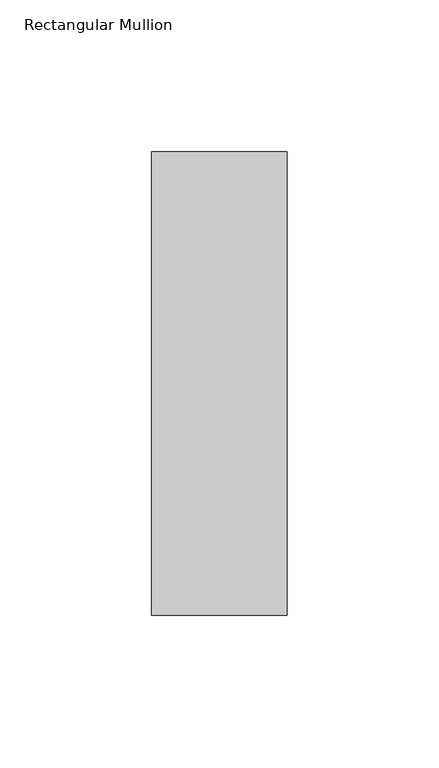
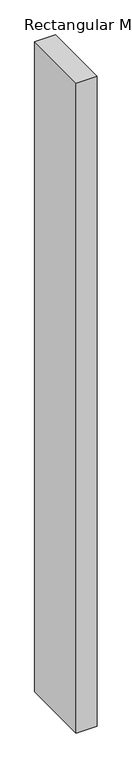
"""IFC4 building model written with IfcOpenShell, lengths in millimetres: member geometry, Rectangular Mullion."""

import ifcopenshell
import ifcopenshell.guid

model = None  # the IFC model being written
_history = None  # IfcOwnerHistory: only IFC2X3 demands one
_inside = {}  # id of a spatial element -> (the spatial element, [elements in it])
_under = {}  # id of a project, library or spatial element -> (it, [spatial elements below it])
_declared = {}  # id of a project -> (the project, [libraries it declares])
_typed = {}  # id of a type object -> (the type object, [elements of that type])
_made_of = {}  # id of a material, layer set ... -> (it, [elements and type objects made of it])


def new_model(schema):
    """Start an empty IFC model of exactly this schema.

    Asked for "IFC4X3", IfcOpenShell would pick the latest addendum, in which some entities
    have other attributes; the version numbers below select the first issue.
    IFC2X3 requires an IfcOwnerHistory on every rooted entity: one is made here for all.
    """
    global model, _history
    if schema == "IFC4X3":
        model = ifcopenshell.file(schema_version=(4, 3, 0, 0))
    else:
        model = ifcopenshell.file(schema=schema)
    _inside.clear()
    _under.clear()
    _declared.clear()
    _typed.clear()
    _made_of.clear()
    _history = None
    if model.schema == "IFC2X3":
        org = make("IfcOrganization", Name="unknown")
        user = make(
            "IfcPersonAndOrganization",
            ThePerson=make("IfcPerson", FamilyName="unknown"),
            TheOrganization=org,
        )
        app = make(
            "IfcApplication",
            ApplicationDeveloper=org,
            Version="unknown",
            ApplicationFullName="unknown",
            ApplicationIdentifier="unknown",
        )
        _history = make(
            "IfcOwnerHistory",
            OwningUser=user,
            OwningApplication=app,
            ChangeAction="ADDED",
            CreationDate=0,
        )
    return model


def make(cls, **values):
    """One entity of the class cls with the attributes given. An attribute that is None is left unset."""
    return model.create_entity(
        cls, **{name: value for name, value in values.items() if value is not None}
    )


def rooted(cls, **values):
    """An entity with a GlobalId (a new one), such as an element, a storey or a relation."""
    return make(cls, GlobalId=ifcopenshell.guid.new(), OwnerHistory=_history, **values)


def si_unit(unit_type, name, prefix=None):
    """IfcSIUnit, for example si_unit("LENGTHUNIT", "METRE", prefix="MILLI")."""
    return make("IfcSIUnit", UnitType=unit_type, Prefix=prefix, Name=name)


def assignment(units):
    """IfcUnitAssignment: the units of a project."""
    return None if units is None else make("IfcUnitAssignment", Units=units)


def point(xyz):
    """IfcCartesianPoint."""
    return None if xyz is None else make("IfcCartesianPoint", Coordinates=xyz)


def direction(xyz):
    """IfcDirection."""
    return None if xyz is None else make("IfcDirection", DirectionRatios=xyz)


def frame(location, z_axis=None, x_axis=None):
    """IfcAxis2Placement3D, a coordinate frame: its origin and axes. An axis left out is left unset."""
    return make(
        "IfcAxis2Placement3D",
        Location=point(location),
        Axis=direction(z_axis),
        RefDirection=direction(x_axis),
    )


def origin():
    """The frame at (0, 0, 0) with its axes left unset."""
    return frame((0.0, 0.0, 0.0))


def place(relative_to, where):
    """IfcLocalPlacement: puts the frame where relative to a parent placement (None: the world)."""
    return make(
        "IfcLocalPlacement", PlacementRelTo=relative_to, RelativePlacement=where
    )


def context(
    kind, dimensions, precision=None, world=None, true_north=None, identifier=None
):
    """IfcGeometricRepresentationContext, for example the 3D "Model" context."""
    return make(
        "IfcGeometricRepresentationContext",
        ContextIdentifier=identifier,
        ContextType=kind,
        CoordinateSpaceDimension=dimensions,
        Precision=precision,
        WorldCoordinateSystem=world,
        TrueNorth=true_north,
    )


def project(units=None, contexts=None):
    """IfcProject with its units and contexts."""
    return rooted(
        "IfcProject",
        Name="project",
        RepresentationContexts=contexts,
        UnitsInContext=assignment(units),
    )


def spatial(cls, under=None, at=None, **own):
    """A site, building, storey or space (cls), placed at a placement, below another one or the project."""
    s = rooted(cls, ObjectPlacement=at, **own)
    if under is not None:
        _under.setdefault(under.id(), (under, []))[1].append(s)
    return s


def polyline(points):
    """IfcPolyline through the points."""
    return make("IfcPolyline", Points=[point(p) for p in points])


def outline(outer, holes=None, kind="AREA"):
    """IfcArbitraryClosedProfileDef: a profile drawn as a closed curve; with holes, ...WithVoids."""
    if holes is None:
        return make("IfcArbitraryClosedProfileDef", ProfileType=kind, OuterCurve=outer)
    return make(
        "IfcArbitraryProfileDefWithVoids",
        ProfileType=kind,
        OuterCurve=outer,
        InnerCurves=holes,
    )


def extrude(swept, where, along, depth):
    """IfcExtrudedAreaSolid: the profile swept, set in the frame where, extruded along a direction by depth."""
    return make(
        "IfcExtrudedAreaSolid",
        SweptArea=swept,
        Position=where,
        ExtrudedDirection=direction(along),
        Depth=depth,
    )


def shape(context_of_items, identifier, shape_type, items):
    """IfcShapeRepresentation: the items that make up one representation, for example the "Body"."""
    return make(
        "IfcShapeRepresentation",
        ContextOfItems=context_of_items,
        RepresentationIdentifier=identifier,
        RepresentationType=shape_type,
        Items=items,
    )


def source(mapping_origin, context_of_items, identifier, shape_type, items):
    """IfcRepresentationMap: a shape defined once, which mapped items show again and again."""
    return make(
        "IfcRepresentationMap",
        MappingOrigin=mapping_origin,
        MappedRepresentation=shape(context_of_items, identifier, shape_type, items),
    )


def transform(
    local_origin,
    x_axis=None,
    y_axis=None,
    z_axis=None,
    scale=None,
    scale2=None,
    scale3=None,
    uniform=True,
):
    """IfcCartesianTransformationOperator3D, or its non-uniform kind. x_axis, y_axis, z_axis: its Axis1, 2, 3."""
    if uniform:
        return make(
            "IfcCartesianTransformationOperator3D",
            Axis1=direction(x_axis),
            Axis2=direction(y_axis),
            LocalOrigin=point(local_origin),
            Scale=scale,
            Axis3=direction(z_axis),
        )
    return make(
        "IfcCartesianTransformationOperator3DnonUniform",
        Axis1=direction(x_axis),
        Axis2=direction(y_axis),
        LocalOrigin=point(local_origin),
        Scale=scale,
        Axis3=direction(z_axis),
        Scale2=scale2,
        Scale3=scale3,
    )


def mapped(mapping_source, mapping_target):
    """IfcMappedItem: shows the shape of a source again, moved by a transform."""
    return make(
        "IfcMappedItem", MappingSource=mapping_source, MappingTarget=mapping_target
    )


def made_of(thing, what):
    """Note that an element or type object is made of a material, layer set ...; save() writes the relation."""
    if what is not None:
        _made_of.setdefault(what.id(), (what, []))[1].append(thing)
    return thing


def element(
    cls,
    number,
    at=None,
    inside=None,
    cuts=None,
    type_object=None,
    material=None,
    context=None,
    identifier="Body",
    shape_type=None,
    held_by="IfcProductDefinitionShape",
    body=None,
    shapes=None,
    **own,
):
    """One element of the class cls, such as IfcWall. Its Tag is "e" and its number.

    at: its placement. inside: the storey or other place that contains it. cuts: it is an
    opening in that element (IfcRelVoidsElement). A single representation is given by context,
    identifier, shape_type and body (its items); several are given by shapes. held_by: the class
    of the entity that holds the representations. save() writes the other relations.
    """
    e = rooted(cls, Tag="e%d" % number, ObjectPlacement=at, **own)
    if body is not None:
        shapes = [shape(context, identifier, shape_type, body)]
    if shapes is not None:
        e.Representation = make(held_by, Representations=shapes)
    if inside is not None:
        _inside.setdefault(inside.id(), (inside, []))[1].append(e)
    if cuts is not None:
        rooted(
            "IfcRelVoidsElement", RelatingBuildingElement=cuts, RelatedOpeningElement=e
        )
    if type_object is not None:
        _typed.setdefault(type_object.id(), (type_object, []))[1].append(e)
    return made_of(e, material)


def aggregate(whole, parts):
    """IfcRelAggregates: a whole, such as a stair, and the parts it consists of."""
    return rooted("IfcRelAggregates", RelatingObject=whole, RelatedObjects=parts)


def save(model, path):
    """Write the relations noted so far, then the file.

    IfcRelAggregates (storeys below a building ...), IfcRelContainedInSpatialStructure (elements
    in a storey), IfcRelDefinesByType, IfcRelAssociatesMaterial and IfcRelDeclares: one each for
    every whole, place, type object, material and project.
    """
    for whole, parts in _under.values():
        aggregate(whole, parts)
    for where, things in _inside.values():
        rooted(
            "IfcRelContainedInSpatialStructure",
            RelatedElements=things,
            RelatingStructure=where,
        )
    for kind, things in _typed.values():
        rooted("IfcRelDefinesByType", RelatedObjects=things, RelatingType=kind)
    for what, things in _made_of.values():
        rooted("IfcRelAssociatesMaterial", RelatedObjects=things, RelatingMaterial=what)
    for by, libraries in _declared.values():
        rooted("IfcRelDeclares", RelatingContext=by, RelatedDefinitions=libraries)
    model.write(path)


def rectangular_mullion_3a52c964(model_context):
    return source(origin(), model_context, "Body", "SweptSolid", [
        extrude(outline(polyline([(0.0, 76.1906616), (0.0, -76.1906616), (-44.45, -76.1906616), (-44.45, 76.1906616), (0.0, 76.1906616)])), frame((0.0, 0.0, -1457.325), z_axis=(0.0, 0.0, 1.0), x_axis=(1.0, 0.0, 0.0)), (0.0, 0.0, 1.0), 1457.325),
    ])


if __name__ == "__main__":
    model = new_model("IFC4")
    model_context = context("Model", 3, world=origin())
    ifc_project = project(units=[si_unit("LENGTHUNIT", "METRE", prefix="MILLI")], contexts=[model_context])
    site = spatial("IfcSite", under=ifc_project)
    building = spatial("IfcBuilding", under=site)
    placement = place(None, origin())
    rectangular_mullion_shape = rectangular_mullion_3a52c964(model_context)
    element("IfcMember", 1, ObjectType="Rectangular Mullion", at=placement, inside=building, context=model_context, shape_type="MappedRepresentation", body=[
        mapped(rectangular_mullion_shape, transform((0.0, 0.0, 0.0), x_axis=(1.0, 0.0, 0.0), y_axis=(0.0, 1.0, 0.0), z_axis=(0.0, 0.0, 1.0))),
    ])
    save(model, "model.ifc")
